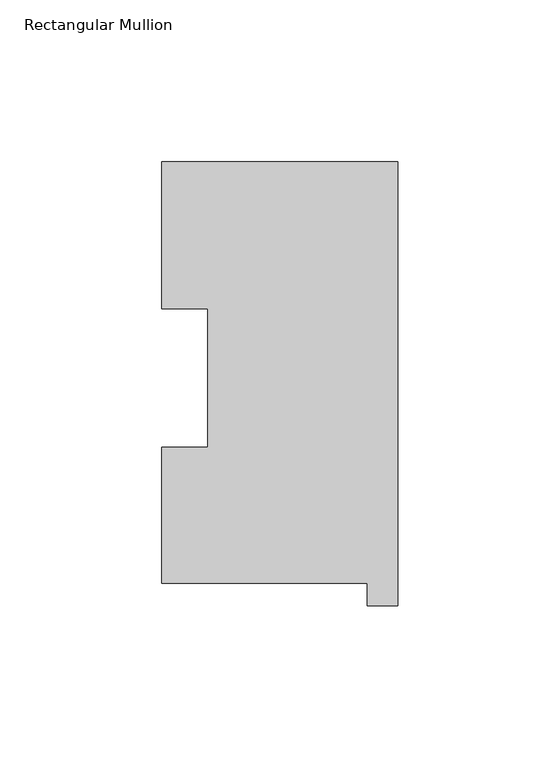
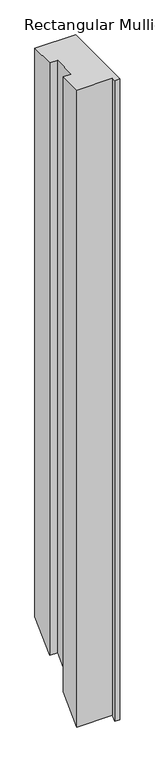
"""IFC4 building model written with IfcOpenShell, lengths in millimetres: member geometry, Rectangular Mullion."""

from ifc_helpers import new_model, si_unit, origin, place, context, project, spatial, faceted_brep, source, transform, mapped, element, save


def rectangular_mullion_2637f736(model_context):
    return source(origin(), model_context, "Body", "Brep", [
        faceted_brep([(-9.525, 0.04445, 0.0), (-9.525, -6.86435, 0.0), (0.0, -6.86435, 0.0), (0.0, 130.34645, 0.0), (-73.025, 130.34645, 0.0), (-73.025, 84.93125, 0.0), (-58.7502, 84.93125, 0.0), (-58.7502, 42.08145, 0.0), (-73.025, 42.08145, 0.0), (-73.025, 0.04445, 0.0), (-9.525, 0.04445, -1206.246), (-9.525, -6.86435, -1213.1548), (0.0, -6.86435, -1213.1548), (0.0, 130.34645, -1075.944), (-73.025, 130.34645, -1075.944), (-73.025, 84.93125, -1121.3592), (-58.7502, 84.93125, -1121.3592), (-58.7502, 42.08145, -1164.209), (-73.025, 42.08145, -1164.209), (-73.025, 0.04445, -1206.246)], [[[0, 1, 2, 3, 4, 5, 6, 7, 8, 9]], [[1, 0, 10, 11]], [[2, 1, 11, 12]], [[3, 2, 12, 13]], [[4, 3, 13, 14]], [[5, 4, 14, 15]], [[6, 5, 15, 16]], [[7, 6, 16, 17]], [[8, 7, 17, 18]], [[9, 8, 18, 19]], [[0, 9, 19, 10]], [[10, 19, 18, 17, 16, 15, 14, 13, 12, 11]]]),
    ])


if __name__ == "__main__":
    model = new_model("IFC4")
    model_context = context("Model", 3, world=origin())
    ifc_project = project(units=[si_unit("LENGTHUNIT", "METRE", prefix="MILLI")], contexts=[model_context])
    site = spatial("IfcSite", under=ifc_project)
    building = spatial("IfcBuilding", under=site)
    placement = place(None, origin())
    rectangular_mullion_shape = rectangular_mullion_2637f736(model_context)
    element("IfcMember", 1, ObjectType="Rectangular Mullion", at=placement, inside=building, context=model_context, shape_type="MappedRepresentation", body=[
        mapped(rectangular_mullion_shape, transform((0.0, 0.0, 0.0), x_axis=(1.0, 0.0, 0.0), y_axis=(0.0, 1.0, 0.0), z_axis=(0.0, 0.0, 1.0))),
    ])
    save(model, "model.ifc")
